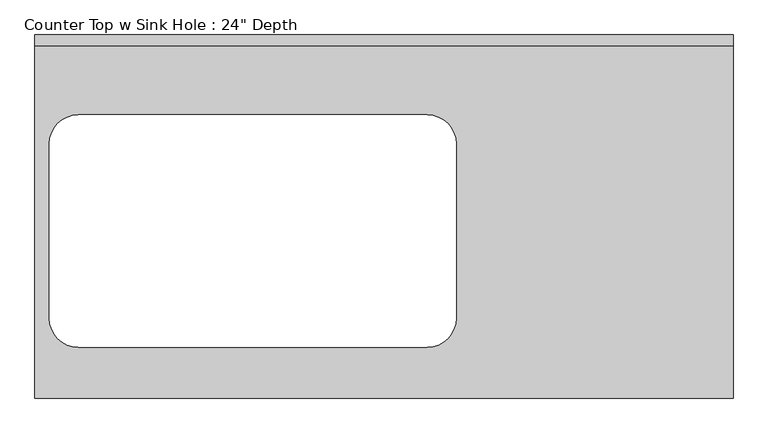
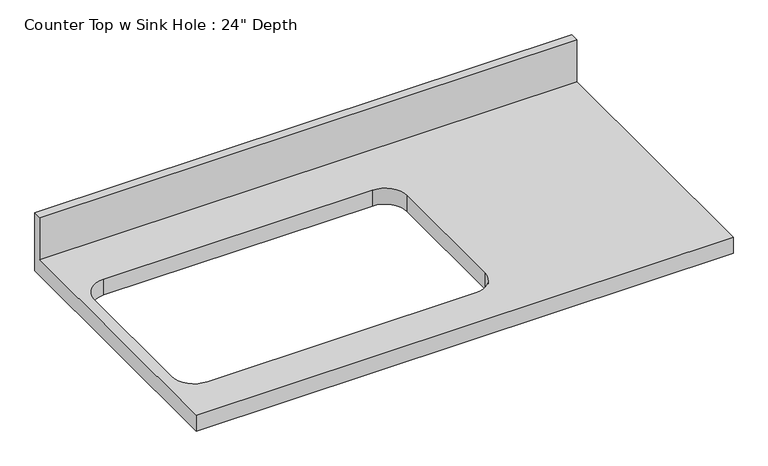
"""IFC4 building model written with IfcOpenShell, lengths in millimetres: furniture geometry."""

import ifcopenshell
import ifcopenshell.guid

model = None  # the IFC model being written
_history = None  # IfcOwnerHistory: only IFC2X3 demands one
_inside = {}  # id of a spatial element -> (the spatial element, [elements in it])
_under = {}  # id of a project, library or spatial element -> (it, [spatial elements below it])
_declared = {}  # id of a project -> (the project, [libraries it declares])
_typed = {}  # id of a type object -> (the type object, [elements of that type])
_made_of = {}  # id of a material, layer set ... -> (it, [elements and type objects made of it])


def new_model(schema):
    """Start an empty IFC model of exactly this schema.

    Asked for "IFC4X3", IfcOpenShell would pick the latest addendum, in which some entities
    have other attributes; the version numbers below select the first issue.
    IFC2X3 requires an IfcOwnerHistory on every rooted entity: one is made here for all.
    """
    global model, _history
    if schema == "IFC4X3":
        model = ifcopenshell.file(schema_version=(4, 3, 0, 0))
    else:
        model = ifcopenshell.file(schema=schema)
    _inside.clear()
    _under.clear()
    _declared.clear()
    _typed.clear()
    _made_of.clear()
    _history = None
    if model.schema == "IFC2X3":
        org = make("IfcOrganization", Name="unknown")
        user = make(
            "IfcPersonAndOrganization",
            ThePerson=make("IfcPerson", FamilyName="unknown"),
            TheOrganization=org,
        )
        app = make(
            "IfcApplication",
            ApplicationDeveloper=org,
            Version="unknown",
            ApplicationFullName="unknown",
            ApplicationIdentifier="unknown",
        )
        _history = make(
            "IfcOwnerHistory",
            OwningUser=user,
            OwningApplication=app,
            ChangeAction="ADDED",
            CreationDate=0,
        )
    return model


def make(cls, **values):
    """One entity of the class cls with the attributes given. An attribute that is None is left unset."""
    return model.create_entity(
        cls, **{name: value for name, value in values.items() if value is not None}
    )


def rooted(cls, **values):
    """An entity with a GlobalId (a new one), such as an element, a storey or a relation."""
    return make(cls, GlobalId=ifcopenshell.guid.new(), OwnerHistory=_history, **values)


def si_unit(unit_type, name, prefix=None):
    """IfcSIUnit, for example si_unit("LENGTHUNIT", "METRE", prefix="MILLI")."""
    return make("IfcSIUnit", UnitType=unit_type, Prefix=prefix, Name=name)


def assignment(units):
    """IfcUnitAssignment: the units of a project."""
    return None if units is None else make("IfcUnitAssignment", Units=units)


def point(xyz):
    """IfcCartesianPoint."""
    return None if xyz is None else make("IfcCartesianPoint", Coordinates=xyz)


def direction(xyz):
    """IfcDirection."""
    return None if xyz is None else make("IfcDirection", DirectionRatios=xyz)


def frame(location, z_axis=None, x_axis=None):
    """IfcAxis2Placement3D, a coordinate frame: its origin and axes. An axis left out is left unset."""
    return make(
        "IfcAxis2Placement3D",
        Location=point(location),
        Axis=direction(z_axis),
        RefDirection=direction(x_axis),
    )


def origin():
    """The frame at (0, 0, 0) with its axes left unset."""
    return frame((0.0, 0.0, 0.0))


def place(relative_to, where):
    """IfcLocalPlacement: puts the frame where relative to a parent placement (None: the world)."""
    return make(
        "IfcLocalPlacement", PlacementRelTo=relative_to, RelativePlacement=where
    )


def context(
    kind, dimensions, precision=None, world=None, true_north=None, identifier=None
):
    """IfcGeometricRepresentationContext, for example the 3D "Model" context."""
    return make(
        "IfcGeometricRepresentationContext",
        ContextIdentifier=identifier,
        ContextType=kind,
        CoordinateSpaceDimension=dimensions,
        Precision=precision,
        WorldCoordinateSystem=world,
        TrueNorth=true_north,
    )


def project(units=None, contexts=None):
    """IfcProject with its units and contexts."""
    return rooted(
        "IfcProject",
        Name="project",
        RepresentationContexts=contexts,
        UnitsInContext=assignment(units),
    )


def spatial(cls, under=None, at=None, **own):
    """A site, building, storey or space (cls), placed at a placement, below another one or the project."""
    s = rooted(cls, ObjectPlacement=at, **own)
    if under is not None:
        _under.setdefault(under.id(), (under, []))[1].append(s)
    return s


def polyline(points):
    """IfcPolyline through the points."""
    return make("IfcPolyline", Points=[point(p) for p in points])


def circle_curve(where, radius):
    """IfcCircle in the frame where."""
    return make("IfcCircle", Position=where, Radius=radius)


def shape(context_of_items, identifier, shape_type, items):
    """IfcShapeRepresentation: the items that make up one representation, for example the "Body"."""
    return make(
        "IfcShapeRepresentation",
        ContextOfItems=context_of_items,
        RepresentationIdentifier=identifier,
        RepresentationType=shape_type,
        Items=items,
    )


def source(mapping_origin, context_of_items, identifier, shape_type, items):
    """IfcRepresentationMap: a shape defined once, which mapped items show again and again."""
    return make(
        "IfcRepresentationMap",
        MappingOrigin=mapping_origin,
        MappedRepresentation=shape(context_of_items, identifier, shape_type, items),
    )


def transform(
    local_origin,
    x_axis=None,
    y_axis=None,
    z_axis=None,
    scale=None,
    scale2=None,
    scale3=None,
    uniform=True,
):
    """IfcCartesianTransformationOperator3D, or its non-uniform kind. x_axis, y_axis, z_axis: its Axis1, 2, 3."""
    if uniform:
        return make(
            "IfcCartesianTransformationOperator3D",
            Axis1=direction(x_axis),
            Axis2=direction(y_axis),
            LocalOrigin=point(local_origin),
            Scale=scale,
            Axis3=direction(z_axis),
        )
    return make(
        "IfcCartesianTransformationOperator3DnonUniform",
        Axis1=direction(x_axis),
        Axis2=direction(y_axis),
        LocalOrigin=point(local_origin),
        Scale=scale,
        Axis3=direction(z_axis),
        Scale2=scale2,
        Scale3=scale3,
    )


def mapped(mapping_source, mapping_target):
    """IfcMappedItem: shows the shape of a source again, moved by a transform."""
    return make(
        "IfcMappedItem", MappingSource=mapping_source, MappingTarget=mapping_target
    )


def made_of(thing, what):
    """Note that an element or type object is made of a material, layer set ...; save() writes the relation."""
    if what is not None:
        _made_of.setdefault(what.id(), (what, []))[1].append(thing)
    return thing


def element(
    cls,
    number,
    at=None,
    inside=None,
    cuts=None,
    type_object=None,
    material=None,
    context=None,
    identifier="Body",
    shape_type=None,
    held_by="IfcProductDefinitionShape",
    body=None,
    shapes=None,
    **own,
):
    """One element of the class cls, such as IfcWall. Its Tag is "e" and its number.

    at: its placement. inside: the storey or other place that contains it. cuts: it is an
    opening in that element (IfcRelVoidsElement). A single representation is given by context,
    identifier, shape_type and body (its items); several are given by shapes. held_by: the class
    of the entity that holds the representations. save() writes the other relations.
    """
    e = rooted(cls, Tag="e%d" % number, ObjectPlacement=at, **own)
    if body is not None:
        shapes = [shape(context, identifier, shape_type, body)]
    if shapes is not None:
        e.Representation = make(held_by, Representations=shapes)
    if inside is not None:
        _inside.setdefault(inside.id(), (inside, []))[1].append(e)
    if cuts is not None:
        rooted(
            "IfcRelVoidsElement", RelatingBuildingElement=cuts, RelatedOpeningElement=e
        )
    if type_object is not None:
        _typed.setdefault(type_object.id(), (type_object, []))[1].append(e)
    return made_of(e, material)


def aggregate(whole, parts):
    """IfcRelAggregates: a whole, such as a stair, and the parts it consists of."""
    return rooted("IfcRelAggregates", RelatingObject=whole, RelatedObjects=parts)


def save(model, path):
    """Write the relations noted so far, then the file.

    IfcRelAggregates (storeys below a building ...), IfcRelContainedInSpatialStructure (elements
    in a storey), IfcRelDefinesByType, IfcRelAssociatesMaterial and IfcRelDeclares: one each for
    every whole, place, type object, material and project.
    """
    for whole, parts in _under.values():
        aggregate(whole, parts)
    for where, things in _inside.values():
        rooted(
            "IfcRelContainedInSpatialStructure",
            RelatedElements=things,
            RelatingStructure=where,
        )
    for kind, things in _typed.values():
        rooted("IfcRelDefinesByType", RelatedObjects=things, RelatingType=kind)
    for what, things in _made_of.values():
        rooted("IfcRelAssociatesMaterial", RelatedObjects=things, RelatingMaterial=what)
    for by, libraries in _declared.values():
        rooted("IfcRelDeclares", RelatingContext=by, RelatedDefinitions=libraries)
    model.write(path)


def plane_surface(at):
    """IfcPlane: the flat surface through the origin of the frame at, square to its z axis."""
    return make("IfcPlane", Position=at)


def revolved_surface(curve, axis_point, axis_direction):
    """IfcSurfaceOfRevolution: the curve turned about the line through axis_point along axis_direction."""
    return make(
        "IfcSurfaceOfRevolution",
        SweptCurve=make("IfcArbitraryOpenProfileDef", ProfileType="CURVE", Curve=curve),
        AxisPosition=make("IfcAxis1Placement", Location=point(axis_point), Axis=direction(axis_direction)),
    )


def advanced_brep(points, edges, surfaces, faces):
    """IfcAdvancedBrep: a solid bounded by faces that lie on surfaces and meet in shared edges.

    An edge is (start, end): straight between two places in points (the first is 0);
    or (start, end, curve); or (start, end, curve, False) where it runs against its curve.
    A face is (place in surfaces, loops), or (place, loops, False) where it looks against
    its surface's normal. A loop lists edges by number (the first is 1), with a minus sign
    where the edge is run from its end to its start. The first loop is the outer one.
    """
    corners = [point(p) for p in points]
    vertices = [make("IfcVertexPoint", VertexGeometry=c) for c in corners]
    made = []
    for start, end, *more in edges:
        made.append(
            make(
                "IfcEdgeCurve",
                EdgeStart=vertices[start],
                EdgeEnd=vertices[end],
                EdgeGeometry=more[0] if more else make("IfcPolyline", Points=[corners[start], corners[end]]),
                SameSense=more[1] if len(more) > 1 else True,
            )
        )
    hull = []
    for where, loops, *sense in faces:
        bounds = []
        for j, loop in enumerate(loops):
            ring = [make("IfcOrientedEdge", EdgeElement=made[abs(k) - 1], Orientation=k > 0) for k in loop]
            bounds.append(
                make(
                    "IfcFaceOuterBound" if j == 0 else "IfcFaceBound",
                    Bound=make("IfcEdgeLoop", EdgeList=ring),
                    Orientation=True,
                )
            )
        hull.append(make("IfcAdvancedFace", Bounds=bounds, FaceSurface=surfaces[where], SameSense=sense[0] if sense else True))
    return make("IfcAdvancedBrep", Outer=make("IfcClosedShell", CfsFaces=hull))


def furniture_e42a95f7(model_context):
    return source(origin(), model_context, "Body", "AdvancedBrep", [
        advanced_brep(
        [(-1200.4622951, -635.0, 914.4), (20.3252049, -635.0, 914.4), (20.3252049, -19.05, 914.4), (-1200.4622951, -19.05, 914.4), (-1124.2622951, -139.7, 914.4), (-514.6622951, -139.7, 914.4), (-463.8622951, -190.5, 914.4), (-463.8622951, -495.3, 914.4), (-514.6622951, -546.1, 914.4), (-1124.2622951, -546.1, 914.4), (-1175.0622951, -495.3, 914.4), (-1175.0622951, -190.5, 914.4), (20.3252049, 0.0, 876.3), (20.3252049, -635.0, 876.3), (-1200.4622951, -635.0, 876.3), (-1200.4622951, 0.0, 876.3), (-514.6622951, -139.7, 876.3), (-1124.2622951, -139.7, 876.3), (-1175.0622951, -190.5, 876.3), (-1175.0622951, -495.3, 876.3), (-1124.2622951, -546.1, 876.3), (-514.6622951, -546.1, 876.3), (-463.8622951, -495.3, 876.3), (-463.8622951, -190.5, 876.3), (-1200.4622951, 0.0, 1016.0), (20.3252049, 0.0, 1016.0), (-1200.4622951, -19.05, 1016.0), (20.3252049, -19.05, 1016.0)],
        [
            (0, 1),
            (1, 2),
            (2, 3),
            (3, 0),
            (4, 5),
            (5, 6, circle_curve(frame((-514.6622951, -190.5, 914.4), z_axis=(0.0, 0.0, -1.0), x_axis=(1.0, 0.0, 0.0)), 50.8)),
            (6, 7),
            (7, 8, circle_curve(frame((-514.6622951, -495.3, 914.4), z_axis=(0.0, 0.0, -1.0), x_axis=(1.0, 0.0, 0.0)), 50.8)),
            (8, 9),
            (9, 10, circle_curve(frame((-1124.2622951, -495.3, 914.4), z_axis=(0.0, 0.0, -1.0), x_axis=(1.0, 0.0, 0.0)), 50.8)),
            (10, 11),
            (11, 4, circle_curve(frame((-1124.2622951, -190.5, 914.4), z_axis=(0.0, 0.0, -1.0), x_axis=(1.0, 0.0, 0.0)), 50.8)),
            (12, 13),
            (13, 14),
            (14, 15),
            (15, 12),
            (16, 17),
            (17, 18, circle_curve(frame((-1124.2622951, -190.5, 876.3), z_axis=(0.0, 0.0, 1.0), x_axis=(1.0, 0.0, 0.0)), 50.8)),
            (18, 19),
            (19, 20, circle_curve(frame((-1124.2622951, -495.3, 876.3), z_axis=(0.0, 0.0, 1.0), x_axis=(1.0, 0.0, 0.0)), 50.8)),
            (20, 21),
            (21, 22, circle_curve(frame((-514.6622951, -495.3, 876.3), z_axis=(0.0, 0.0, 1.0), x_axis=(1.0, 0.0, 0.0)), 50.8)),
            (22, 23),
            (23, 16, circle_curve(frame((-514.6622951, -190.5, 876.3), z_axis=(0.0, 0.0, 1.0), x_axis=(1.0, 0.0, 0.0)), 50.8)),
            (15, 24),
            (24, 25),
            (25, 12),
            (14, 0),
            (3, 26),
            (26, 24),
            (13, 1),
            (25, 27),
            (27, 2),
            (4, 17),
            (16, 5),
            (18, 11),
            (10, 19),
            (20, 9),
            (8, 21),
            (22, 7),
            (6, 23),
            (26, 27),
        ],
        [
            plane_surface(frame((-1200.4622951, 0.0, 914.4), z_axis=(0.0, 0.0, 1.0), x_axis=(-1.0, 0.0, 0.0))),
            plane_surface(frame((-1200.4622951, 0.0, 876.3), z_axis=(0.0, 0.0, -1.0), x_axis=(1.0, 0.0, 0.0))),
            plane_surface(frame((20.3252049, 0.0, 914.4), z_axis=(0.0, 1.0, 0.0), x_axis=(0.0, 0.0, -1.0))),
            plane_surface(frame((-1200.4622951, 0.0, 914.4), z_axis=(-1.0, 0.0, 0.0), x_axis=(0.0, 0.0, -1.0))),
            plane_surface(frame((-1200.4622951, -635.0, 914.4), z_axis=(0.0, -1.0, 0.0), x_axis=(0.0, 0.0, -1.0))),
            plane_surface(frame((20.3252049, -635.0, 914.4), z_axis=(1.0, 0.0, 0.0), x_axis=(0.0, 0.0, -1.0))),
            plane_surface(frame((-514.6622951, -139.7, 914.4), z_axis=(0.0, -1.0, 0.0), x_axis=(0.0, 0.0, -1.0))),
            plane_surface(frame((-1175.0622951, -190.5, 914.4), z_axis=(1.0, 0.0, 0.0), x_axis=(0.0, 0.0, -1.0))),
            plane_surface(frame((-1124.2622951, -546.1, 914.4), z_axis=(0.0, 1.0, 0.0), x_axis=(0.0, 0.0, -1.0))),
            plane_surface(frame((-463.8622951, -495.3, 914.4), z_axis=(-1.0, 0.0, 0.0), x_axis=(0.0, 0.0, -1.0))),
            revolved_surface(polyline([(-1073.4622951000001, -190.5, 914.4), (-1073.4622951000001, -190.5, 876.3)]), (-1124.2622951, -190.5, 876.3), (0.0, 0.0, 1.0)),
            revolved_surface(polyline([(-463.86229510000004, -495.3, 914.4), (-463.86229510000004, -495.3, 876.3)]), (-514.6622951, -495.3, 876.3), (0.0, 0.0, 1.0)),
            revolved_surface(polyline([(-463.86229510000004, -190.5, 914.4), (-463.86229510000004, -190.5, 876.3)]), (-514.6622951, -190.5, 876.3), (0.0, 0.0, 1.0)),
            revolved_surface(polyline([(-1073.4622951000001, -495.3, 914.4), (-1073.4622951000001, -495.3, 876.3)]), (-1124.2622951, -495.3, 876.3), (0.0, 0.0, 1.0)),
            plane_surface(frame((-1200.4622951, 0.0, 1016.0), z_axis=(0.0, 0.0, 1.0), x_axis=(0.0, -1.0, 0.0))),
            plane_surface(frame((-1200.4622951, -19.05, 1016.0), z_axis=(0.0, -1.0, 0.0), x_axis=(0.0, 0.0, -1.0))),
        ],
        [
            (0, [[1, 2, 3, 4], [5, 6, 7, 8, 9, 10, 11, 12]]),
            (1, [[13, 14, 15, 16], [17, 18, 19, 20, 21, 22, 23, 24]]),
            (2, [[-16, 25, 26, 27]]),
            (3, [[-15, 28, -4, 29, 30, -25]]),
            (4, [[-1, -28, -14, 31]]),
            (5, [[-13, -27, 32, 33, -2, -31]]),
            (6, [[34, -17, 35, -5]]),
            (7, [[36, -11, 37, -19]]),
            (8, [[38, -9, 39, -21]]),
            (9, [[40, -7, 41, -23]]),
            (10, [[-34, -12, -36, -18]]),
            (11, [[-39, -8, -40, -22]]),
            (12, [[-35, -24, -41, -6]]),
            (13, [[-37, -10, -38, -20]]),
            (14, [[-30, 42, -32, -26]]),
            (15, [[-42, -29, -3, -33]]),
        ],
    ),
    ])


if __name__ == "__main__":
    model = new_model("IFC4")
    model_context = context("Model", 3, world=origin())
    ifc_project = project(units=[si_unit("LENGTHUNIT", "METRE", prefix="MILLI")], contexts=[model_context])
    site = spatial("IfcSite", under=ifc_project)
    building = spatial("IfcBuilding", under=site)
    placement = place(None, origin())
    furniture_shape = furniture_e42a95f7(model_context)
    element("IfcFurniture", 1, ObjectType="Counter Top w Sink Hole : 24\" Depth", at=placement, inside=building, context=model_context, shape_type="MappedRepresentation", body=[
        mapped(furniture_shape, transform((0.0, 0.0, 0.0), x_axis=(1.0, 0.0, 0.0), y_axis=(0.0, 1.0, 0.0), z_axis=(0.0, 0.0, 1.0))),
    ])
    save(model, "model.ifc")
